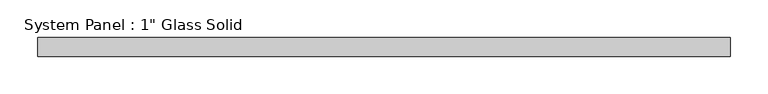
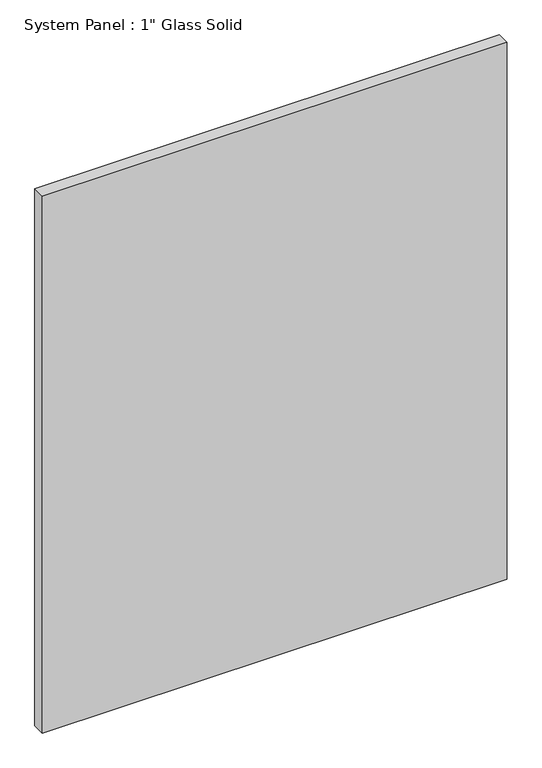
"""IFC4 building model written with IfcOpenShell, lengths in millimetres: plate geometry."""

from ifc_helpers import new_model, si_unit, origin, origin_with_axes, place, context, project, spatial, polyline, outline, extrude, source, transform, mapped, element, save


def plate_8fc78f8d(model_context):
    return source(origin(), model_context, "Body", "SweptSolid", [
        extrude(outline(polyline([(460.9555865, -12.7), (-460.9555865, -12.7), (-460.9555865, 12.7), (460.9555865, 12.7), (460.9555865, -12.7)])), origin_with_axes(), (0.0, 0.0, 1.0), 1125.1111731),
    ])


if __name__ == "__main__":
    model = new_model("IFC4")
    model_context = context("Model", 3, world=origin())
    ifc_project = project(units=[si_unit("LENGTHUNIT", "METRE", prefix="MILLI")], contexts=[model_context])
    site = spatial("IfcSite", under=ifc_project)
    building = spatial("IfcBuilding", under=site)
    placement = place(None, origin())
    plate_shape = plate_8fc78f8d(model_context)
    element("IfcPlate", 1, ObjectType="System Panel : 1\" Glass Solid", at=placement, inside=building, context=model_context, shape_type="MappedRepresentation", body=[
        mapped(plate_shape, transform((0.0, 0.0, 0.0), x_axis=(1.0, 0.0, 0.0), y_axis=(0.0, 1.0, 0.0), z_axis=(0.0, 0.0, 1.0))),
    ])
    save(model, "model.ifc")
